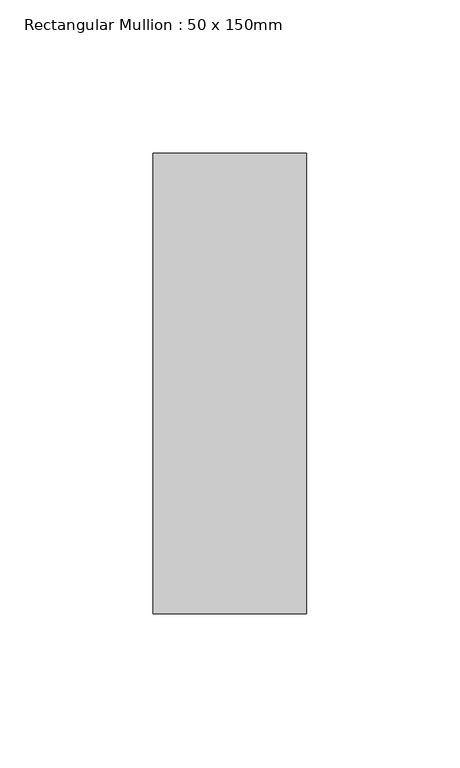
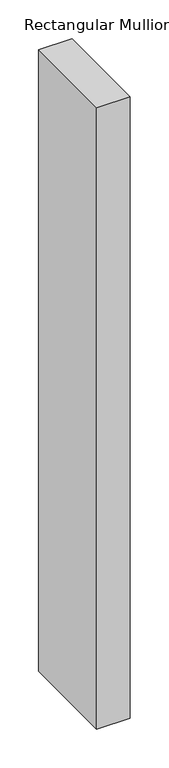
"""IFC4 building model written with IfcOpenShell, lengths in millimetres: member geometry, Rectangular Mullion : 50 x 150mm."""

from ifc_helpers import new_model, si_unit, frame, origin, place, context, project, spatial, polyline, outline, extrude, source, transform, mapped, element, save


def rectangular_mullion_50_x_150mm_375ca35b(model_context):
    return source(origin(), model_context, "Body", "SweptSolid", [
        extrude(outline(polyline([(25.0, 75.0), (25.0, -75.0), (-25.0, -75.0), (-25.0, 75.0), (25.0, 75.0)])), frame((0.0, 0.0, -978.6002071), z_axis=(0.0, 0.0, 1.0), x_axis=(1.0, 0.0, 0.0)), (0.0, 0.0, 1.0), 978.6002071),
    ])


if __name__ == "__main__":
    model = new_model("IFC4")
    model_context = context("Model", 3, world=origin())
    ifc_project = project(units=[si_unit("LENGTHUNIT", "METRE", prefix="MILLI")], contexts=[model_context])
    site = spatial("IfcSite", under=ifc_project)
    building = spatial("IfcBuilding", under=site)
    placement = place(None, origin())
    rectangular_mullion_50_x_150mm_shape = rectangular_mullion_50_x_150mm_375ca35b(model_context)
    element("IfcMember", 1, ObjectType="Rectangular Mullion : 50 x 150mm", at=placement, inside=building, context=model_context, shape_type="MappedRepresentation", body=[
        mapped(rectangular_mullion_50_x_150mm_shape, transform((0.0, 0.0, 0.0), x_axis=(1.0, 0.0, 0.0), y_axis=(0.0, 1.0, 0.0), z_axis=(0.0, 0.0, 1.0))),
    ])
    save(model, "model.ifc")
